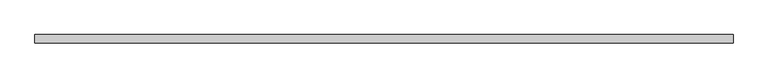
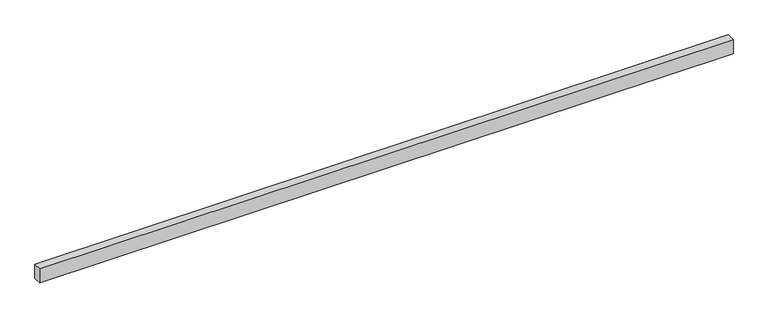
"""IFC4 building model written with IfcOpenShell, lengths in millimetres: furniture geometry."""

from ifc_helpers import new_model, si_unit, frame, origin, place, context, project, spatial, polyline, outline, extrude, source, transform, mapped, element, save


def furniture_f1fc3d6d(model_context):
    return source(origin(), model_context, "Body", "SweptSolid", [
        extrude(outline(polyline([(4293.9208, -25.4), (0.0, -25.4), (0.0, 25.4), (4293.9208, 25.4), (4293.9208, -25.4)])), frame((0.0, 0.0, 2193.163), z_axis=(0.0, 0.0, 1.0), x_axis=(1.0, 0.0, 0.0)), (0.0, 0.0, 1.0), 92.71),
    ])


if __name__ == "__main__":
    model = new_model("IFC4")
    model_context = context("Model", 3, world=origin())
    ifc_project = project(units=[si_unit("LENGTHUNIT", "METRE", prefix="MILLI")], contexts=[model_context])
    site = spatial("IfcSite", under=ifc_project)
    building = spatial("IfcBuilding", under=site)
    placement = place(None, origin())
    furniture_shape = furniture_f1fc3d6d(model_context)
    element("IfcFurniture", 1, at=placement, inside=building, context=model_context, shape_type="MappedRepresentation", body=[
        mapped(furniture_shape, transform((0.0, 0.0, 0.0), x_axis=(1.0, 0.0, 0.0), y_axis=(0.0, 1.0, 0.0), z_axis=(0.0, 0.0, 1.0))),
    ])
    save(model, "model.ifc")
